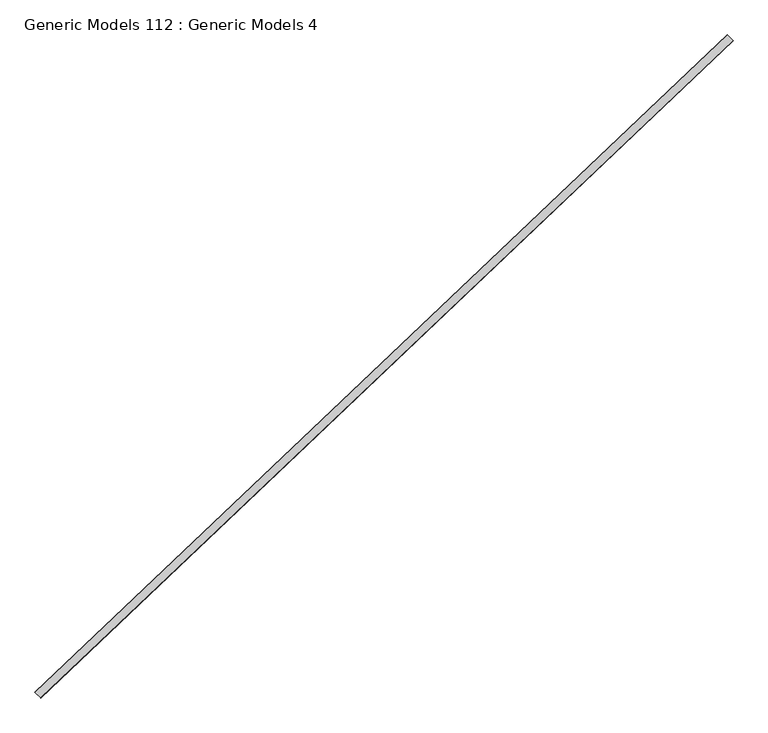
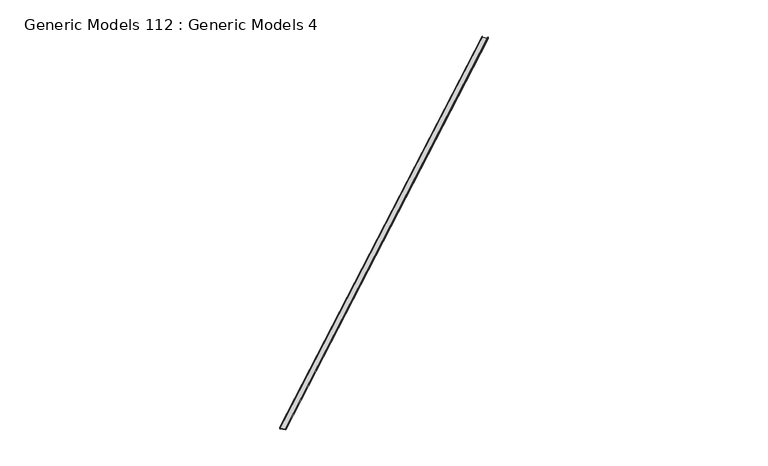
"""IFC4 building model written with IfcOpenShell, lengths in millimetres: proxy geometry, Generic Models 112 : Generic Models 4."""

from ifc_helpers import new_model, si_unit, frame, origin, place, context, project, spatial, polyline, outline, extrude, source, transform, mapped, element, save


def generic_models_112_generic_models_4_34e4eef8(model_context):
    return source(origin(), model_context, "Body", "SweptSolid", [
        extrude(outline(polyline([(0.0, 0.0), (41.275, 0.0), (41.275, -1.5875), (1.5875, -1.5875), (1.5875, -150.8125001), (41.275, -150.8125001), (41.275, -152.4000001), (0.0, -152.4000001), (0.0, 0.0)])), frame((101877.1705913, 42391.7584177, 17118.33), z_axis=(0.725374371012385, 0.6883545756936514, 0.0), x_axis=(0.0, 0.0, 1.0)), (0.0, 0.0, 1.0), 17560.925),
    ])


if __name__ == "__main__":
    model = new_model("IFC4")
    model_context = context("Model", 3, world=origin())
    ifc_project = project(units=[si_unit("LENGTHUNIT", "METRE", prefix="MILLI")], contexts=[model_context])
    site = spatial("IfcSite", under=ifc_project)
    building = spatial("IfcBuilding", under=site)
    placement = place(None, origin())
    generic_models_112_generic_models_4_shape = generic_models_112_generic_models_4_34e4eef8(model_context)
    element("IfcBuildingElementProxy", 1, Name="Generic Models 112 : Generic Models 4", ObjectType="Generic Models 112 : Generic Models 4", at=placement, inside=building, context=model_context, shape_type="MappedRepresentation", body=[
        mapped(generic_models_112_generic_models_4_shape, transform((0.0, 0.0, 0.0), x_axis=(1.0, 0.0, 0.0), y_axis=(0.0, 1.0, 0.0), z_axis=(0.0, 0.0, 1.0))),
    ])
    save(model, "model.ifc")
